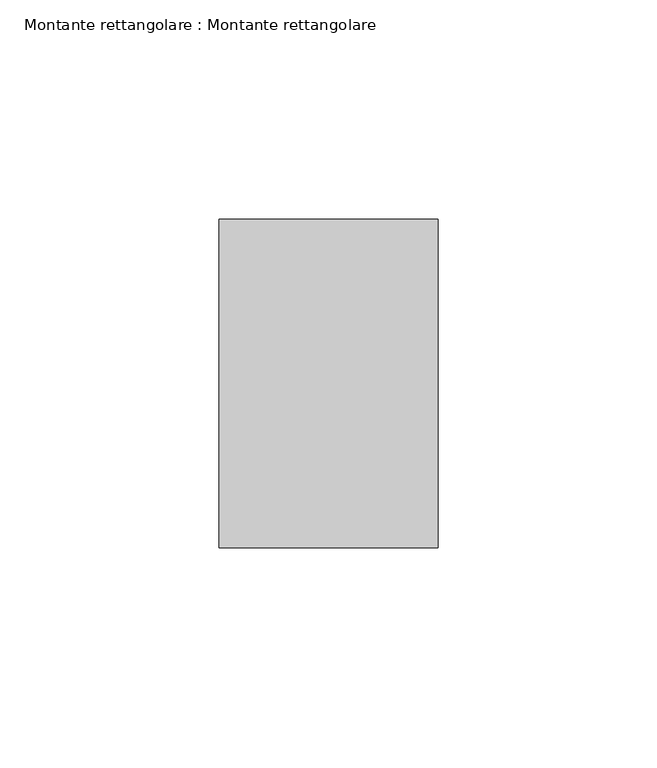
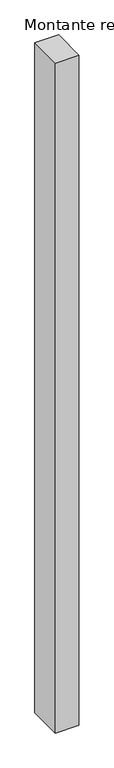
"""IFC4 building model written with IfcOpenShell, lengths in millimetres: member geometry, Montante rettangolare : Montante rettangolare."""

from ifc_helpers import new_model, si_unit, frame, origin, place, context, project, spatial, polyline, outline, extrude, source, transform, mapped, element, save


def montante_rettangolare_montante_rettangolare_03ad4e55(model_context):
    return source(origin(), model_context, "Body", "SweptSolid", [
        extrude(outline(polyline([(25.0, 37.5), (25.0, -37.5), (-25.0, -37.5), (-25.0, 37.5), (25.0, 37.5)])), frame((0.0, 0.0, -1500.0), z_axis=(0.0, 0.0, 1.0), x_axis=(1.0, 0.0, 0.0)), (0.0, 0.0, 1.0), 1500.0),
    ])


if __name__ == "__main__":
    model = new_model("IFC4")
    model_context = context("Model", 3, world=origin())
    ifc_project = project(units=[si_unit("LENGTHUNIT", "METRE", prefix="MILLI")], contexts=[model_context])
    site = spatial("IfcSite", under=ifc_project)
    building = spatial("IfcBuilding", under=site)
    placement = place(None, origin())
    montante_rettangolare_montante_rettangolare_shape = montante_rettangolare_montante_rettangolare_03ad4e55(model_context)
    element("IfcMember", 1, ObjectType="Montante rettangolare : Montante rettangolare", at=placement, inside=building, context=model_context, shape_type="MappedRepresentation", body=[
        mapped(montante_rettangolare_montante_rettangolare_shape, transform((0.0, 0.0, 0.0), x_axis=(1.0, 0.0, 0.0), y_axis=(0.0, 1.0, 0.0), z_axis=(0.0, 0.0, 1.0))),
    ])
    save(model, "model.ifc")
